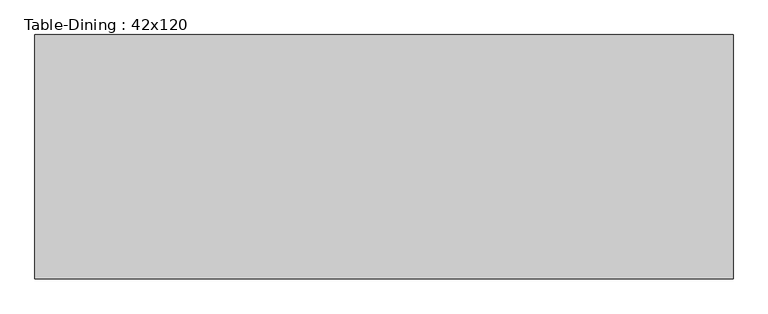
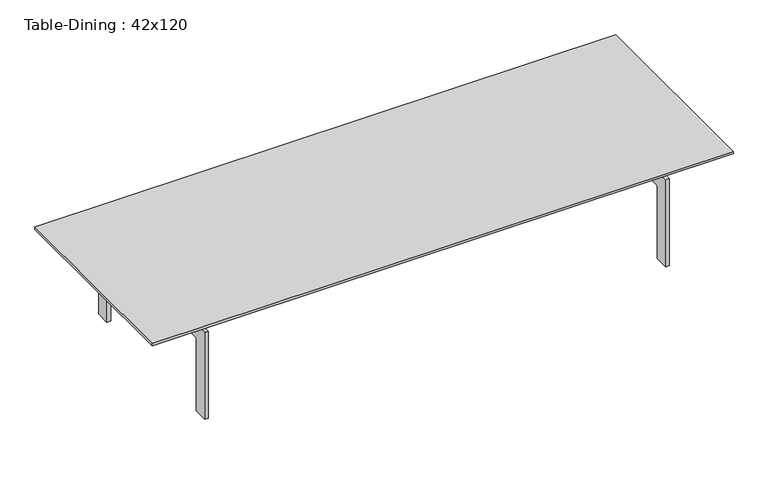
"""IFC4 building model written with IfcOpenShell, lengths in millimetres: furniture geometry, Table-Dining : 42x120."""

from ifc_helpers import new_model, si_unit, frame, origin, place, context, project, spatial, polyline, outline, extrude, source, transform, mapped, element, save


def table_dining_42x120_ce68ed5a(model_context):
    return source(origin(), model_context, "Body", "SweptSolid", [
        extrude(outline(polyline([(1440.6657667, -297.7823857), (-1404.1342333, -297.7823857), (-1404.1342333, -272.3823857), (1440.6657667, -272.3823857), (1440.6657667, -297.7823857)])), frame((0.0, 0.0, 482.6), z_axis=(0.0, 0.0, 1.0), x_axis=(1.0, 0.0, 0.0)), (0.0, 0.0, 1.0), 63.5),
        extrude(outline(polyline([(1440.6657667, 82.5889222), (-1404.1342333, 82.5889222), (-1404.1342333, 107.9889222), (1440.6657667, 107.9889222), (1440.6657667, 82.5889222)])), frame((0.0, 0.0, 482.6), z_axis=(0.0, 0.0, 1.0), x_axis=(1.0, 0.0, 0.0)), (0.0, 0.0, 1.0), 63.5),
        extrude(outline(polyline([(-577.8110778, 0.0), (-577.8110778, 482.6), (387.3889222, 482.6), (387.3889222, 0.0), (311.1889222, 0.0), (311.1889222, 406.4), (-501.6110778, 406.4), (-501.6110778, 0.0), (-577.8110778, 0.0)])), frame((1218.4157667, 0.0, 0.0), z_axis=(1.0, 0.0, 0.0), x_axis=(0.0, 1.0, 0.0)), (0.0, 0.0, 1.0), 19.05),
        extrude(outline(polyline([(-577.8110778, 482.6), (387.3889222, 482.6), (387.3889222, 0.0), (311.1889222, 0.0), (311.1889222, 406.4), (-501.6110778, 406.4), (-501.6110778, 0.0), (-577.8110778, 0.0), (-577.8110778, 482.6)])), frame((-1200.9342333, 0.0, 0.0), z_axis=(1.0, 0.0, 0.0), x_axis=(0.0, 1.0, 0.0)), (0.0, 0.0, 1.0), 19.05),
        extrude(outline(polyline([(1542.2657667, -628.6110778), (-1505.7342333, -628.6110778), (-1505.7342333, 438.1889222), (1542.2657667, 438.1889222), (1542.2657667, -628.6110778)])), frame((0.0, 0.0, 546.1), z_axis=(0.0, 0.0, 1.0), x_axis=(1.0, 0.0, 0.0)), (0.0, 0.0, 1.0), 12.7),
    ])


if __name__ == "__main__":
    model = new_model("IFC4")
    model_context = context("Model", 3, world=origin())
    ifc_project = project(units=[si_unit("LENGTHUNIT", "METRE", prefix="MILLI")], contexts=[model_context])
    site = spatial("IfcSite", under=ifc_project)
    building = spatial("IfcBuilding", under=site)
    placement = place(None, origin())
    table_dining_42x120_shape = table_dining_42x120_ce68ed5a(model_context)
    element("IfcFurniture", 1, ObjectType="Table-Dining : 42x120", at=placement, inside=building, context=model_context, shape_type="MappedRepresentation", body=[
        mapped(table_dining_42x120_shape, transform((0.0, 0.0, 0.0), x_axis=(1.0, 0.0, 0.0), y_axis=(0.0, 1.0, 0.0), z_axis=(0.0, 0.0, 1.0))),
    ])
    save(model, "model.ifc")
